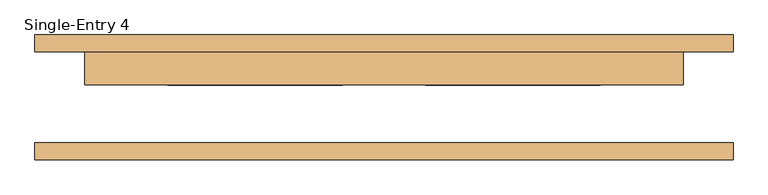
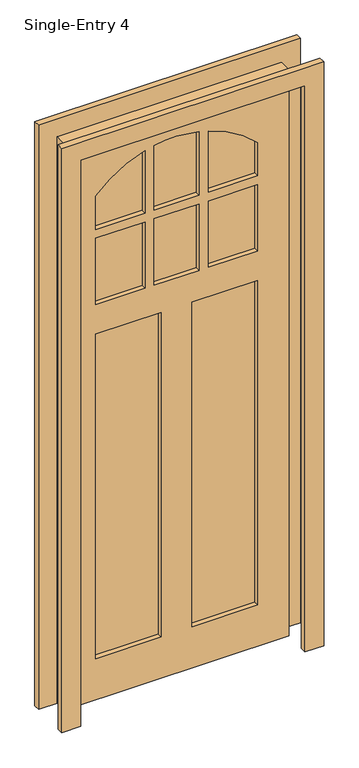
"""IFC4 building model written with IfcOpenShell, lengths in millimetres: door geometry, Single-Entry 4."""

from ifc_helpers import new_model, si_unit, point, frame, frame_2d, origin, place, context, project, spatial, polyline, circle_curve, trimmed, segment, composite_curve, outline, extrude, source, transform, mapped, element, save


def single_entry_4_8753de82(model_context):
    return source(origin(), model_context, "Body", "SweptSolid", [
        extrude(outline(polyline([(-103.7166667, 39.290625), (-304.8, 39.290625), (-304.8, 50.8302413), (-103.7166667, 50.8302413), (-103.7166667, 39.290625)])), frame((0.0, 0.0, 1701.8), z_axis=(0.0, 0.0, 1.0), x_axis=(1.0, 0.0, 0.0)), (0.0, 0.0, 1.0), 285.75),
        extrude(outline(polyline([(355.6, 39.290625), (154.5166667, 39.290625), (154.5166667, 50.8302413), (355.6, 50.8302413), (355.6, 39.290625)])), frame((0.0, 0.0, 1701.8), z_axis=(0.0, 0.0, 1.0), x_axis=(1.0, 0.0, 0.0)), (0.0, 0.0, 1.0), 285.75),
        extrude(outline(polyline([(116.4166667, 39.290625), (-65.6166667, 39.290625), (-65.6166667, 50.8302413), (116.4166667, 50.8302413), (116.4166667, 39.290625)])), frame((0.0, 0.0, 1701.8), z_axis=(0.0, 0.0, 1.0), x_axis=(1.0, 0.0, 0.0)), (0.0, 0.0, 1.0), 285.75),
        extrude(outline(composite_curve([segment(polyline([(2025.65, -304.8), (2025.65, -103.7166667), (2294.0633018, -103.7166667)]), True, "CONTINUOUS"), segment(trimmed(circle_curve(frame_2d((1874.8076448, 18.299697)), 436.6500875), [point((2294.0633018, -103.7166667))], [point((2168.525, -304.8))], False, "CARTESIAN"), True, "CONTINUOUS"), segment(polyline([(2168.525, -304.8), (2025.65, -304.8)]), True, "CONTINUOUS")], self_intersect=False)), frame((0.0, 39.290625, 0.0), z_axis=(0.0, 1.0, 0.0), x_axis=(0.0, 0.0, 1.0)), (0.0, 0.0, 1.0), 11.5396163),
        extrude(outline(composite_curve([segment(trimmed(circle_curve(frame_2d((1874.8076448, 18.299697)), 436.6500875), [point((2311.4, 25.4))], [point((2303.3182547, -65.6166667))], False, "CARTESIAN"), True, "CONTINUOUS"), segment(polyline([(2303.3182547, -65.6166667), (2025.65, -65.6166667), (2025.65, 116.4166667), (2299.1306878, 116.4166667)]), True, "CONTINUOUS"), segment(trimmed(circle_curve(frame_2d((1808.9478865, 4.0032922)), 502.907492), [point((2299.1306878, 116.4166667))], [point((2311.4, 25.4))], False, "CARTESIAN"), True, "CONTINUOUS")], self_intersect=False)), frame((0.0, 39.290625, 0.0), z_axis=(0.0, 1.0, 0.0), x_axis=(0.0, 0.0, 1.0)), (0.0, 0.0, 1.0), 11.5396163),
        extrude(outline(composite_curve([segment(trimmed(circle_curve(frame_2d((1808.9478865, 4.0032922)), 502.907492), [point((2168.525, 355.6))], [point((2288.8037707, 154.5166667))], False, "CARTESIAN"), True, "CONTINUOUS"), segment(polyline([(2288.8037707, 154.5166667), (2025.65, 154.5166667), (2025.65, 355.6), (2168.525, 355.6)]), True, "CONTINUOUS")], self_intersect=False)), frame((0.0, 39.290625, 0.0), z_axis=(0.0, 1.0, 0.0), x_axis=(0.0, 0.0, 1.0)), (0.0, 0.0, 1.0), 11.5396163),
        extrude(outline(polyline([(2438.4, 482.6), (2438.4, -431.8), (0.0, -431.8), (0.0, 482.6), (2438.4, 482.6)]), holes=[polyline([(1574.8, -38.1), (177.8, -38.1), (177.8, -304.8), (1574.8, -304.8), (1574.8, -38.1)]), polyline([(177.8, 88.9), (1574.8, 88.9), (1574.8, 355.6), (177.8, 355.6), (177.8, 88.9)]), polyline([(1701.8, 154.5166667), (1987.55, 154.5166667), (1987.55, 355.6), (1701.8, 355.6), (1701.8, 154.5166667)]), composite_curve([segment(polyline([(2025.65, 355.6), (2025.65, 154.5166667), (2288.8037707, 154.5166667)]), True, "CONTINUOUS"), segment(trimmed(circle_curve(frame_2d((1808.9478865, 4.0032922)), 502.907492), [point((2288.8037707, 154.5166667))], [point((2168.525, 355.6))], True, "CARTESIAN"), True, "CONTINUOUS"), segment(polyline([(2168.525, 355.6), (2025.65, 355.6)]), True, "CONTINUOUS")], self_intersect=False), polyline([(1987.55, -304.8), (1987.55, -103.7166667), (1701.8, -103.7166667), (1701.8, -304.8), (1987.55, -304.8)]), composite_curve([segment(polyline([(2025.65, -103.7166667), (2025.65, -304.8), (2168.525, -304.8)]), True, "CONTINUOUS"), segment(trimmed(circle_curve(frame_2d((1874.8076448, 18.299697)), 436.6500875), [point((2168.525, -304.8))], [point((2294.0633018, -103.7166667))], True, "CARTESIAN"), True, "CONTINUOUS"), segment(polyline([(2294.0633018, -103.7166667), (2025.65, -103.7166667)]), True, "CONTINUOUS")], self_intersect=False), composite_curve([segment(polyline([(2025.65, -65.6166667), (2303.3182547, -65.6166667)]), True, "CONTINUOUS"), segment(trimmed(circle_curve(frame_2d((1874.8076448, 18.299697)), 436.6500875), [point((2303.3182547, -65.6166667))], [point((2311.4, 25.4))], True, "CARTESIAN"), True, "CONTINUOUS"), segment(trimmed(circle_curve(frame_2d((1808.9478865, 4.0032922)), 502.907492), [point((2311.4, 25.4))], [point((2299.1306878, 116.4166667))], True, "CARTESIAN"), True, "CONTINUOUS"), segment(polyline([(2299.1306878, 116.4166667), (2025.65, 116.4166667), (2025.65, -65.6166667)]), True, "CONTINUOUS")], self_intersect=False), polyline([(1987.55, 116.4166667), (1701.8, 116.4166667), (1701.8, -65.6166667), (1987.55, -65.6166667), (1987.55, 116.4166667)])]), frame((0.0, 19.0802413, 0.0), z_axis=(0.0, 1.0, 0.0), x_axis=(0.0, 0.0, 1.0)), (0.0, 0.0, 1.0), 50.8),
        extrude(outline(polyline([(-38.1, 39.290625), (-304.8, 39.290625), (-304.8, 50.8302413), (-38.1, 50.8302413), (-38.1, 39.290625)])), frame((0.0, 0.0, 177.8), z_axis=(0.0, 0.0, 1.0), x_axis=(1.0, 0.0, 0.0)), (0.0, 0.0, 1.0), 1397.0),
        extrude(outline(polyline([(355.6, 39.290625), (88.9, 39.290625), (88.9, 50.8302413), (355.6, 50.8302413), (355.6, 39.290625)])), frame((0.0, 0.0, 177.8), z_axis=(0.0, 0.0, 1.0), x_axis=(1.0, 0.0, 0.0)), (0.0, 0.0, 1.0), 1397.0),
        extrude(outline(polyline([(2514.6, 558.8), (2514.6, -508.0), (0.0, -508.0), (0.0, -431.8), (2438.4, -431.8), (2438.4, 482.6), (0.0, 482.6), (0.0, 558.8), (2514.6, 558.8)])), frame((0.0, -95.2197587, 0.0), z_axis=(0.0, 1.0, 0.0), x_axis=(0.0, 0.0, 1.0)), (0.0, 0.0, 1.0), 25.4),
        extrude(outline(polyline([(2514.6, -508.0), (0.0, -508.0), (0.0, -431.8), (2438.4, -431.8), (2438.4, 482.6), (0.0, 482.6), (0.0, 558.8), (2514.6, 558.8), (2514.6, -508.0)])), frame((0.0, 69.8802413, 0.0), z_axis=(0.0, 1.0, 0.0), x_axis=(0.0, 0.0, 1.0)), (0.0, 0.0, 1.0), 25.4),
    ])


if __name__ == "__main__":
    model = new_model("IFC4")
    model_context = context("Model", 3, world=origin())
    ifc_project = project(units=[si_unit("LENGTHUNIT", "METRE", prefix="MILLI")], contexts=[model_context])
    site = spatial("IfcSite", under=ifc_project)
    building = spatial("IfcBuilding", under=site)
    placement = place(None, origin())
    single_entry_4_shape = single_entry_4_8753de82(model_context)
    element("IfcDoor", 1, ObjectType="Single-Entry 4", at=placement, inside=building, context=model_context, shape_type="MappedRepresentation", body=[
        mapped(single_entry_4_shape, transform((0.0, 0.0, 0.0), x_axis=(1.0, 0.0, 0.0), y_axis=(0.0, 1.0, 0.0), z_axis=(0.0, 0.0, 1.0))),
    ])
    save(model, "model.ifc")
